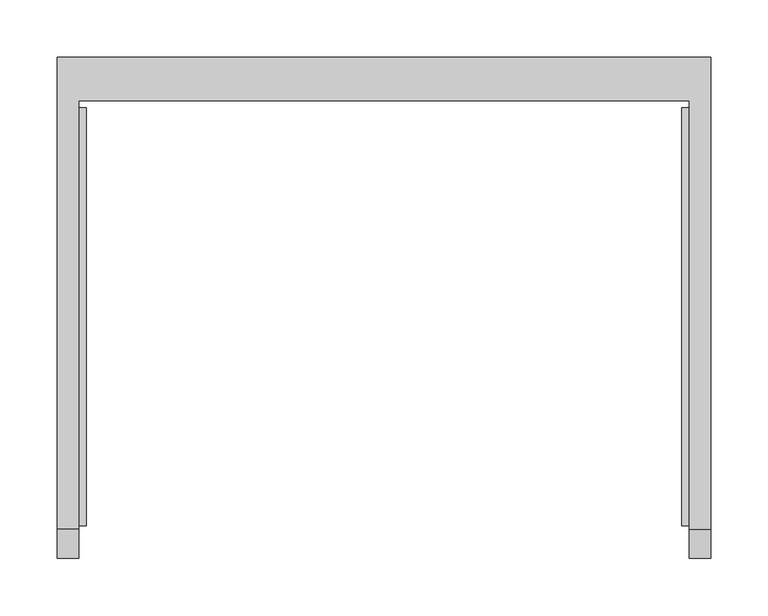
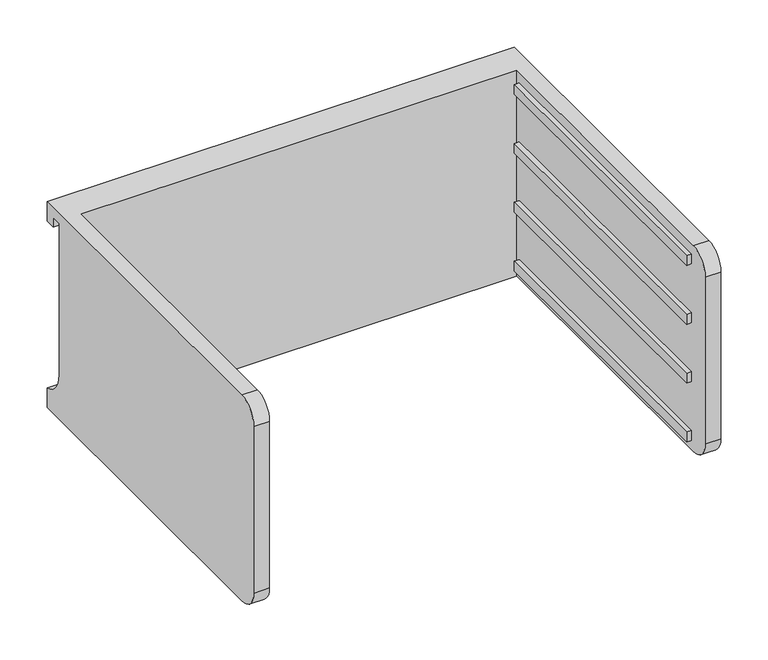
"""IFC4 building model written with IfcOpenShell, lengths in millimetres: furniture geometry."""

from ifc_helpers import new_model, si_unit, frame, origin, place, context, project, spatial, polyline, circle_curve, outline, extrude, source, transform, mapped, element, save
from ifc_brep_helpers import plane_surface, cylinder_surface, revolved_surface, advanced_brep


def furniture_22c0c1a3(model_context):
    return source(origin(), model_context, "Body", "SolidModel", [
        advanced_brep(
        [(-171.7622951, -331.6523397, 618.53572), (-171.7622951, -357.0523397, 593.13572), (-171.7622951, -357.0523397, 377.23572), (-171.7622951, -331.6523397, 351.83572), (-171.7622951, 43.0421197, 351.83572), (-171.7622951, 43.0421197, 618.53572), (-190.8122951, -331.6523397, 351.83572), (-190.8122951, -357.0523397, 377.23572), (-190.8122951, -357.0523397, 593.13572), (-190.8122951, -331.6523397, 618.53572), (-190.8122951, 81.0976603, 618.53572), (-190.8122951, 81.0976603, 593.13572), (-190.8122951, 68.4421197, 593.13572), (-190.8122951, 68.4421197, 605.83572), (-190.8122951, 55.7421197, 605.83572), (-190.8122951, 55.7421197, 409.78074), (-190.8122951, 81.0976603, 377.23572), (-190.8122951, 81.0976603, 351.83572), (380.6877049, 81.0976603, 351.83572), (380.6877049, -331.6523397, 351.83572), (361.6377049, -331.6523397, 351.83572), (361.6377049, 43.0421197, 351.83572), (361.6377049, 43.0421197, 618.53572), (361.6377049, -331.6523397, 618.53572), (380.6877049, -331.6523397, 618.53572), (380.6877049, 81.0976603, 618.53572), (380.6877049, 81.0976603, 377.23572), (380.6877049, 55.7421197, 409.78074), (380.6877049, 55.7421197, 605.83572), (380.6877049, 68.4421197, 605.83572), (380.6877049, 68.4421197, 593.13572), (380.6877049, 81.0976603, 593.13572), (380.6877049, -357.0523397, 593.13572), (380.6877049, -357.0523397, 377.23572), (361.6377049, -357.0523397, 377.23572), (361.6377049, -357.0523397, 593.13572)],
        [
            (0, 1, circle_curve(frame((-171.7622951, -331.6523397, 593.13572), z_axis=(1.0, 0.0, 0.0), x_axis=(0.0, 0.0, 1.0)), 25.4)),
            (1, 2),
            (2, 3, circle_curve(frame((-171.7622951, -331.6523397, 377.23572), z_axis=(1.0, 0.0, 0.0), x_axis=(0.0, 0.0, 1.0)), 25.4)),
            (3, 4),
            (4, 5),
            (5, 0),
            (6, 7, circle_curve(frame((-190.8122951, -331.6523397, 377.23572), z_axis=(-1.0, 0.0, 0.0), x_axis=(0.0, 0.0, 1.0)), 25.4)),
            (7, 8),
            (8, 9, circle_curve(frame((-190.8122951, -331.6523397, 593.13572), z_axis=(-1.0, 0.0, 0.0), x_axis=(0.0, 0.0, 1.0)), 25.4)),
            (9, 10),
            (10, 11),
            (11, 12),
            (12, 13),
            (13, 14),
            (14, 15),
            (15, 16, circle_curve(frame((-190.8122951, 89.3064162, 409.78074), z_axis=(1.0, 0.0, 0.0), x_axis=(0.0, 0.0, 1.0)), 33.5642965)),
            (16, 17),
            (17, 6),
            (0, 9),
            (8, 1),
            (7, 2),
            (6, 3),
            (17, 18),
            (18, 19),
            (19, 20),
            (20, 21),
            (21, 4),
            (5, 22),
            (22, 23),
            (23, 24),
            (24, 25),
            (25, 10),
            (18, 26),
            (26, 27, circle_curve(frame((380.6877049, 89.3064162, 409.78074), z_axis=(-1.0, 0.0, 0.0), x_axis=(0.0, 0.0, 1.0)), 33.5642965)),
            (27, 28),
            (28, 29),
            (29, 30),
            (30, 31),
            (31, 25),
            (24, 32, circle_curve(frame((380.6877049, -331.6523397, 593.13572), z_axis=(1.0, 0.0, 0.0), x_axis=(0.0, 0.0, 1.0)), 25.4)),
            (32, 33),
            (33, 19, circle_curve(frame((380.6877049, -331.6523397, 377.23572), z_axis=(1.0, 0.0, 0.0), x_axis=(0.0, 0.0, 1.0)), 25.4)),
            (16, 26),
            (15, 27),
            (14, 28),
            (13, 29),
            (12, 30),
            (11, 31),
            (21, 22),
            (20, 34, circle_curve(frame((361.6377049, -331.6523397, 377.23572), z_axis=(-1.0, 0.0, 0.0), x_axis=(0.0, 0.0, 1.0)), 25.4)),
            (34, 35),
            (35, 23, circle_curve(frame((361.6377049, -331.6523397, 593.13572), z_axis=(-1.0, 0.0, 0.0), x_axis=(0.0, 0.0, 1.0)), 25.4)),
            (35, 32),
            (34, 33),
        ],
        [
            plane_surface(frame((-171.7622951, -331.6523397, 618.53572), z_axis=(1.0, 0.0, 0.0), x_axis=(0.0, -1.0, 0.0))),
            plane_surface(frame((-190.8122951, -331.6523397, 618.53572), z_axis=(-1.0, 0.0, 0.0), x_axis=(0.0, 1.0, 0.0))),
            cylinder_surface(frame((-190.8122951, -331.6523397, 593.13572), z_axis=(1.0, 0.0, 0.0), x_axis=(0.0, 0.0, 1.0)), 25.4),
            plane_surface(frame((-171.7622951, -357.0523397, 593.13572), z_axis=(0.0, -1.0, 0.0), x_axis=(-1.0, 0.0, 0.0))),
            cylinder_surface(frame((-190.8122951, -331.6523397, 377.23572), z_axis=(1.0, 0.0, 0.0), x_axis=(0.0, 0.0, 1.0)), 25.4),
            plane_surface(frame((-171.7622951, -331.6523397, 351.83572), z_axis=(0.0, 0.0, -1.0), x_axis=(-1.0, 0.0, 0.0))),
            plane_surface(frame((-171.7622951, 43.0421197, 618.53572), z_axis=(0.0, 0.0, 1.0), x_axis=(-1.0, 0.0, 0.0))),
            plane_surface(frame((380.6877049, 81.0976603, 377.23572), z_axis=(1.0, 0.0, 0.0), x_axis=(0.0, 0.0, 1.0))),
            plane_surface(frame((380.6877049, 81.0976603, 351.83572), z_axis=(0.0, 1.0, 0.0), x_axis=(-1.0, 0.0, 0.0))),
            revolved_surface(polyline([(-190.8122951, 89.3064162, 443.3450365), (380.68770489999997, 89.3064162, 443.3450365)]), (-190.8122951, 89.3064162, 409.78074), (-1.0, 0.0, 0.0)),
            plane_surface(frame((380.6877049, 55.7421197, 409.78074), z_axis=(0.0, 1.0, 0.0), x_axis=(-1.0, 0.0, 0.0))),
            plane_surface(frame((380.6877049, 55.7421197, 605.83572), z_axis=(0.0, 0.0, -1.0), x_axis=(-1.0, 0.0, 0.0))),
            plane_surface(frame((380.6877049, 68.4421197, 605.83572), z_axis=(0.0, -1.0, 0.0), x_axis=(-1.0, 0.0, 0.0))),
            plane_surface(frame((380.6877049, 68.4421197, 593.13572), z_axis=(0.0, 0.0, -1.0), x_axis=(-1.0, 0.0, 0.0))),
            plane_surface(frame((380.6877049, 81.0976603, 593.13572), z_axis=(0.0, 1.0, 0.0), x_axis=(-1.0, 0.0, 0.0))),
            plane_surface(frame((380.6877049, 43.0421197, 618.53572), z_axis=(0.0, -1.0, 0.0), x_axis=(-1.0, 0.0, 0.0))),
            plane_surface(frame((361.6377049, -331.6523397, 618.53572), z_axis=(-1.0, 0.0, 0.0), x_axis=(0.0, 1.0, 0.0))),
            cylinder_surface(frame((361.6377049, -331.6523397, 593.13572), z_axis=(1.0, 0.0, 0.0), x_axis=(0.0, 0.0, 1.0)), 25.4),
            plane_surface(frame((380.6877049, -357.0523397, 593.13572), z_axis=(0.0, -1.0, 0.0), x_axis=(-1.0, 0.0, 0.0))),
            cylinder_surface(frame((361.6377049, -331.6523397, 377.23572), z_axis=(1.0, 0.0, 0.0), x_axis=(0.0, 0.0, 1.0)), 25.4),
        ],
        [
            (0, [[1, 2, 3, 4, 5, 6]]),
            (1, [[7, 8, 9, 10, 11, 12, 13, 14, 15, 16, 17, 18]]),
            (2, [[-1, 19, -9, 20]]),
            (3, [[-2, -20, -8, 21]]),
            (4, [[-3, -21, -7, 22]]),
            (5, [[-4, -22, -18, 23, 24, 25, 26, 27]]),
            (6, [[-6, 28, 29, 30, 31, 32, -10, -19]]),
            (7, [[-24, 33, 34, 35, 36, 37, 38, 39, -31, 40, 41, 42]]),
            (8, [[-33, -23, -17, 43]]),
            (9, [[-34, -43, -16, 44]]),
            (10, [[-35, -44, -15, 45]]),
            (11, [[-36, -45, -14, 46]]),
            (12, [[-37, -46, -13, 47]]),
            (13, [[-38, -47, -12, 48]]),
            (14, [[-39, -48, -11, -32]]),
            (15, [[-5, -27, 49, -28]]),
            (16, [[-29, -49, -26, 50, 51, 52]]),
            (17, [[-40, -30, -52, 53]]),
            (18, [[-41, -53, -51, 54]]),
            (19, [[-42, -54, -50, -25]]),
        ],
    ),
        extrude(outline(polyline([(355.2877049, -328.4773397), (355.2877049, 36.6921197), (361.6377049, 36.6921197), (361.6377049, -328.4773397), (355.2877049, -328.4773397)])), frame((0.0, 0.0, 440.73572), z_axis=(0.0, 0.0, 1.0), x_axis=(1.0, 0.0, 0.0)), (0.0, 0.0, 1.0), 12.7),
        extrude(outline(polyline([(355.2877049, -328.4773397), (355.2877049, 36.6921197), (361.6377049, 36.6921197), (361.6377049, -328.4773397), (355.2877049, -328.4773397)])), frame((0.0, 0.0, 516.93572), z_axis=(0.0, 0.0, 1.0), x_axis=(1.0, 0.0, 0.0)), (0.0, 0.0, 1.0), 12.7),
        extrude(outline(polyline([(355.2877049, -328.4773397), (355.2877049, 36.6921197), (361.6377049, 36.6921197), (361.6377049, -328.4773397), (355.2877049, -328.4773397)])), frame((0.0, 0.0, 593.13572), z_axis=(0.0, 0.0, 1.0), x_axis=(1.0, 0.0, 0.0)), (0.0, 0.0, 1.0), 12.7),
        extrude(outline(polyline([(355.2877049, -328.4773397), (355.2877049, 36.6921197), (361.6377049, 36.6921197), (361.6377049, -328.4773397), (355.2877049, -328.4773397)])), frame((0.0, 0.0, 364.53572), z_axis=(0.0, 0.0, 1.0), x_axis=(1.0, 0.0, 0.0)), (0.0, 0.0, 1.0), 12.7),
        extrude(outline(polyline([(-171.7622951, -328.4773397), (-171.7622951, 36.6921197), (-165.4122951, 36.6921197), (-165.4122951, -328.4773397), (-171.7622951, -328.4773397)])), frame((0.0, 0.0, 440.73572), z_axis=(0.0, 0.0, 1.0), x_axis=(1.0, 0.0, 0.0)), (0.0, 0.0, 1.0), 12.7),
        extrude(outline(polyline([(-171.7622951, -328.4773397), (-171.7622951, 36.6921197), (-165.4122951, 36.6921197), (-165.4122951, -328.4773397), (-171.7622951, -328.4773397)])), frame((0.0, 0.0, 516.93572), z_axis=(0.0, 0.0, 1.0), x_axis=(1.0, 0.0, 0.0)), (0.0, 0.0, 1.0), 12.7),
        extrude(outline(polyline([(-171.7622951, -328.4773397), (-171.7622951, 36.6921197), (-165.4122951, 36.6921197), (-165.4122951, -328.4773397), (-171.7622951, -328.4773397)])), frame((0.0, 0.0, 593.13572), z_axis=(0.0, 0.0, 1.0), x_axis=(1.0, 0.0, 0.0)), (0.0, 0.0, 1.0), 12.7),
        extrude(outline(polyline([(-171.7622951, -328.4773397), (-171.7622951, 36.6921197), (-165.4122951, 36.6921197), (-165.4122951, -328.4773397), (-171.7622951, -328.4773397)])), frame((0.0, 0.0, 364.53572), z_axis=(0.0, 0.0, 1.0), x_axis=(1.0, 0.0, 0.0)), (0.0, 0.0, 1.0), 12.7),
    ])


if __name__ == "__main__":
    model = new_model("IFC4")
    model_context = context("Model", 3, world=origin())
    ifc_project = project(units=[si_unit("LENGTHUNIT", "METRE", prefix="MILLI")], contexts=[model_context])
    site = spatial("IfcSite", under=ifc_project)
    building = spatial("IfcBuilding", under=site)
    placement = place(None, origin())
    furniture_shape = furniture_22c0c1a3(model_context)
    element("IfcFurniture", 1, at=placement, inside=building, context=model_context, shape_type="MappedRepresentation", body=[
        mapped(furniture_shape, transform((0.0, 0.0, 0.0), x_axis=(1.0, 0.0, 0.0), y_axis=(0.0, 1.0, 0.0), z_axis=(0.0, 0.0, 1.0))),
    ])
    save(model, "model.ifc")
